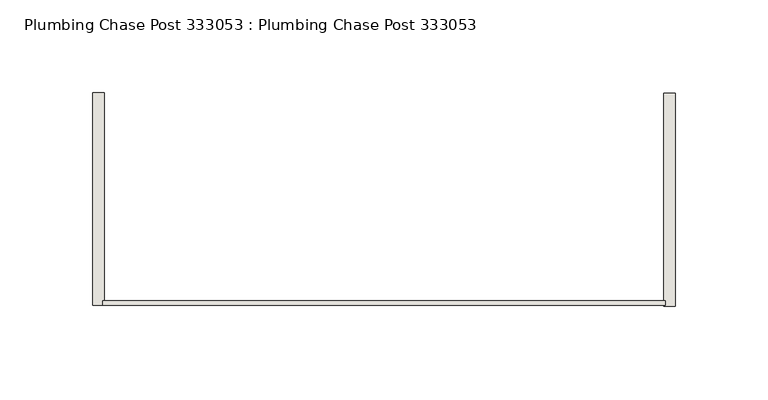
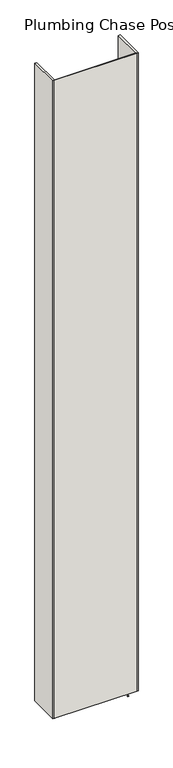
"""IFC4 building model written with IfcOpenShell, lengths in millimetres: wall geometry, Plumbing Chase Post 333053 : Plumbing Chase Post 333053."""

from ifc_helpers import new_model, si_unit, frame, origin, place, context, project, spatial, polyline, outline, extrude, source, transform, mapped, element, save


def plumbing_chase_post_333053_plumbing_chase_post_333053_f66724cc(model_context):
    return source(origin(), model_context, "Body", "SweptSolid", [
        extrude(outline(polyline([(86426.9801048, -44119.5873004), (86429.5201048, -44119.5873004), (86429.5201048, -44122.1273004), (86426.9801048, -44122.1273004), (86426.9801048, -44119.5873004)])), frame((0.0, 0.0, 4419.6), z_axis=(0.0, 0.0, 1.0), x_axis=(1.0, 0.0, 0.0)), (0.0, 0.0, 1.0), 2.54),
        extrude(outline(polyline([(86426.8300416, -44177.9142856), (86124.2376572, -44177.9142856), (86124.2376572, -44175.2477682), (86426.8300416, -44175.2477682), (86426.8300416, -44177.9142856)])), frame((0.0, 0.0, 4474.8958), z_axis=(0.0, 0.0, 1.0), x_axis=(1.0, 0.0, 0.0)), (0.0, 0.0, 1.0), 2481.1482254),
        extrude(outline(polyline([(86426.8300416, -44177.9142856), (86124.2376572, -44177.9142856), (86124.2376572, -44175.2477682), (86426.8300416, -44175.2477682), (86426.8300416, -44177.9142856)])), frame((0.0, 0.0, 4474.8958), z_axis=(0.0, 0.0, 1.0), x_axis=(1.0, 0.0, 0.0)), (0.0, 0.0, 1.0), 2481.1482254),
        extrude(outline(polyline([(86432.2126572, -44063.7941176), (86432.2126572, -44178.2212446), (86426.0920954, -44178.2212446), (86426.0920954, -44063.7941176), (86432.2126572, -44063.7941176)])), frame((0.0, 0.0, 4474.8958), z_axis=(0.0, 0.0, 1.0), x_axis=(1.0, 0.0, 0.0)), (0.0, 0.0, 1.0), 2481.1482254),
        extrude(outline(polyline([(86432.2126572, -44063.7941176), (86432.2126572, -44178.2212446), (86426.0920954, -44178.2212446), (86426.0920954, -44063.7941176), (86432.2126572, -44063.7941176)])), frame((0.0, 0.0, 4474.8958), z_axis=(0.0, 0.0, 1.0), x_axis=(1.0, 0.0, 0.0)), (0.0, 0.0, 1.0), 2481.1482254),
        extrude(outline(polyline([(86118.8550416, -44177.9142856), (86118.8550416, -44063.4871586), (86124.975578, -44063.4871586), (86124.975578, -44177.9142856), (86118.8550416, -44177.9142856)])), frame((0.0, 0.0, 4474.8958), z_axis=(0.0, 0.0, 1.0), x_axis=(1.0, 0.0, 0.0)), (0.0, 0.0, 1.0), 2481.1482254),
        extrude(outline(polyline([(86118.8550416, -44177.9142856), (86118.8550416, -44063.4871586), (86124.975578, -44063.4871586), (86124.975578, -44177.9142856), (86118.8550416, -44177.9142856)])), frame((0.0, 0.0, 4474.8958), z_axis=(0.0, 0.0, 1.0), x_axis=(1.0, 0.0, 0.0)), (0.0, 0.0, 1.0), 2481.1482254),
    ])


if __name__ == "__main__":
    model = new_model("IFC4")
    model_context = context("Model", 3, world=origin())
    ifc_project = project(units=[si_unit("LENGTHUNIT", "METRE", prefix="MILLI")], contexts=[model_context])
    site = spatial("IfcSite", under=ifc_project)
    building = spatial("IfcBuilding", under=site)
    placement = place(None, origin())
    plumbing_chase_post_333053_plumbing_chase_post_333053_shape = plumbing_chase_post_333053_plumbing_chase_post_333053_f66724cc(model_context)
    element("IfcWall", 1, ObjectType="Plumbing Chase Post 333053 : Plumbing Chase Post 333053", at=placement, inside=building, context=model_context, shape_type="MappedRepresentation", body=[
        mapped(plumbing_chase_post_333053_plumbing_chase_post_333053_shape, transform((0.0, 0.0, 0.0), x_axis=(1.0, 0.0, 0.0), y_axis=(0.0, 1.0, 0.0), z_axis=(0.0, 0.0, 1.0))),
    ])
    save(model, "model.ifc")
